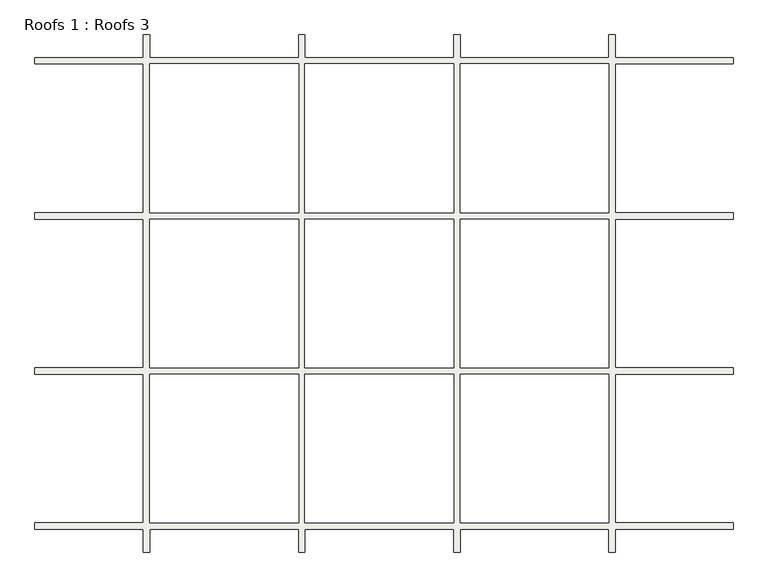
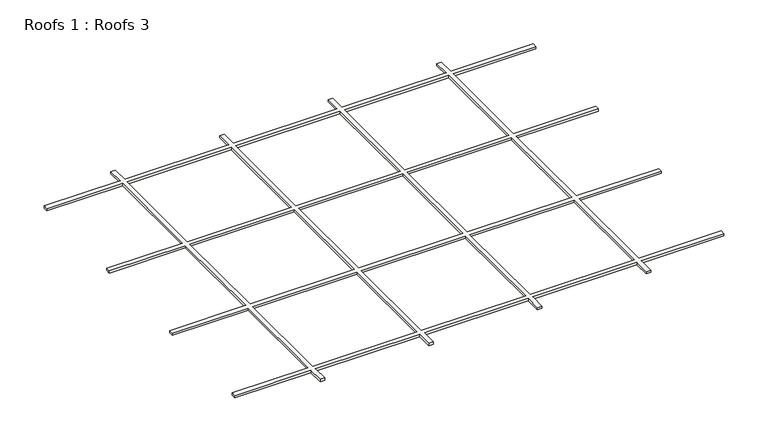
"""IFC4 building model written with IfcOpenShell, lengths in millimetres: roof geometry, Roofs 1 : Roofs 3."""

from ifc_helpers import new_model, si_unit, origin, origin_with_axes, place, context, project, spatial, polyline, outline, extrude, source, transform, mapped, element, save


def roofs_1_roofs_3_fc7ea3eb(model_context):
    return source(origin(), model_context, "Body", "SweptSolid", [
        extrude(outline(polyline([(-2299.5175804, -8686.3352642), (-2299.5175804, -8641.8852642), (-2286.8175804, -8641.8852642), (-2286.8175804, -8686.3352642), (-1994.7175804, -8686.3352642), (-1994.7175804, -8641.8852642), (-1982.0175804, -8641.8852642), (-1982.0175804, -8686.3352642), (-1689.9175804, -8686.3352642), (-1689.9175804, -8641.8852642), (-1677.2175804, -8641.8852642), (-1677.2175804, -8686.3352642), (-1385.1175804, -8686.3352642), (-1385.1175804, -8641.8852642), (-1372.4175804, -8641.8852642), (-1372.4175804, -8686.3352642), (-1140.9542149, -8686.3352642), (-1140.9542149, -8699.0352642), (-1372.4175804, -8699.0352642), (-1372.4175804, -8991.1352642), (-1140.9542149, -8991.1352642), (-1140.9542149, -9003.8352642), (-1372.4175804, -9003.8352642), (-1372.4175804, -9295.9352642), (-1140.9542149, -9295.9352642), (-1140.9542149, -9308.6352642), (-1372.4175804, -9308.6352642), (-1372.4175804, -9600.7352642), (-1140.9542149, -9600.7352642), (-1140.9542149, -9613.4352642), (-1372.4175804, -9613.4352642), (-1372.4175804, -9657.8852642), (-1385.1175804, -9657.8852642), (-1385.1175804, -9613.4352642), (-1677.2175804, -9613.4352642), (-1677.2175804, -9657.8852642), (-1689.9175804, -9657.8852642), (-1689.9175804, -9613.4352642), (-1982.0175804, -9613.4352642), (-1982.0175804, -9657.8852642), (-1994.7175804, -9657.8852642), (-1994.7175804, -9613.4352642), (-2286.8175804, -9613.4352642), (-2286.8175804, -9657.8852642), (-2299.5175804, -9657.8852642), (-2299.5175804, -9613.4352642), (-2512.5542149, -9613.4352642), (-2512.5542149, -9600.7352642), (-2299.5175804, -9600.7352642), (-2299.5175804, -9308.6352642), (-2512.5542149, -9308.6352642), (-2512.5542149, -9295.9352642), (-2299.5175804, -9295.9352642), (-2299.5175804, -9003.8352642), (-2512.5542149, -9003.8352642), (-2512.5542149, -8991.1352642), (-2299.5175804, -8991.1352642), (-2299.5175804, -8699.0352642), (-2512.5542149, -8699.0352642), (-2512.5542149, -8686.3352642), (-2299.5175804, -8686.3352642)]), holes=[polyline([(-2286.8175804, -8699.0352642), (-2286.8175804, -8991.1352642), (-1994.7175804, -8991.1352642), (-1994.7175804, -8699.0352642), (-2286.8175804, -8699.0352642)]), polyline([(-1982.0175804, -8699.0352642), (-1982.0175804, -8991.1352642), (-1689.9175804, -8991.1352642), (-1689.9175804, -8699.0352642), (-1982.0175804, -8699.0352642)]), polyline([(-1677.2175804, -8699.0352642), (-1677.2175804, -8991.1352642), (-1385.1175804, -8991.1352642), (-1385.1175804, -8699.0352642), (-1677.2175804, -8699.0352642)]), polyline([(-2286.8175804, -9003.8352642), (-2286.8175804, -9295.9352642), (-1994.7175804, -9295.9352642), (-1994.7175804, -9003.8352642), (-2286.8175804, -9003.8352642)]), polyline([(-1982.0175804, -9003.8352642), (-1982.0175804, -9295.9352642), (-1689.9175804, -9295.9352642), (-1689.9175804, -9003.8352642), (-1982.0175804, -9003.8352642)]), polyline([(-1677.2175804, -9003.8352642), (-1677.2175804, -9295.9352642), (-1385.1175804, -9295.9352642), (-1385.1175804, -9003.8352642), (-1677.2175804, -9003.8352642)]), polyline([(-2286.8175804, -9308.6352642), (-2286.8175804, -9600.7352642), (-1994.7175804, -9600.7352642), (-1994.7175804, -9308.6352642), (-2286.8175804, -9308.6352642)]), polyline([(-1982.0175804, -9308.6352642), (-1982.0175804, -9600.7352642), (-1689.9175804, -9600.7352642), (-1689.9175804, -9308.6352642), (-1982.0175804, -9308.6352642)]), polyline([(-1677.2175804, -9308.6352642), (-1677.2175804, -9600.7352642), (-1385.1175804, -9600.7352642), (-1385.1175804, -9308.6352642), (-1677.2175804, -9308.6352642)])]), origin_with_axes(), (0.0, 0.0, 1.0), 6.35),
    ])


if __name__ == "__main__":
    model = new_model("IFC4")
    model_context = context("Model", 3, world=origin())
    ifc_project = project(units=[si_unit("LENGTHUNIT", "METRE", prefix="MILLI")], contexts=[model_context])
    site = spatial("IfcSite", under=ifc_project)
    building = spatial("IfcBuilding", under=site)
    placement = place(None, origin())
    roofs_1_roofs_3_shape = roofs_1_roofs_3_fc7ea3eb(model_context)
    element("IfcRoof", 1, ObjectType="Roofs 1 : Roofs 3", at=placement, inside=building, context=model_context, shape_type="MappedRepresentation", body=[
        mapped(roofs_1_roofs_3_shape, transform((0.0, 0.0, 0.0), x_axis=(1.0, 0.0, 0.0), y_axis=(0.0, 1.0, 0.0), z_axis=(0.0, 0.0, 1.0))),
    ])
    save(model, "model.ifc")
